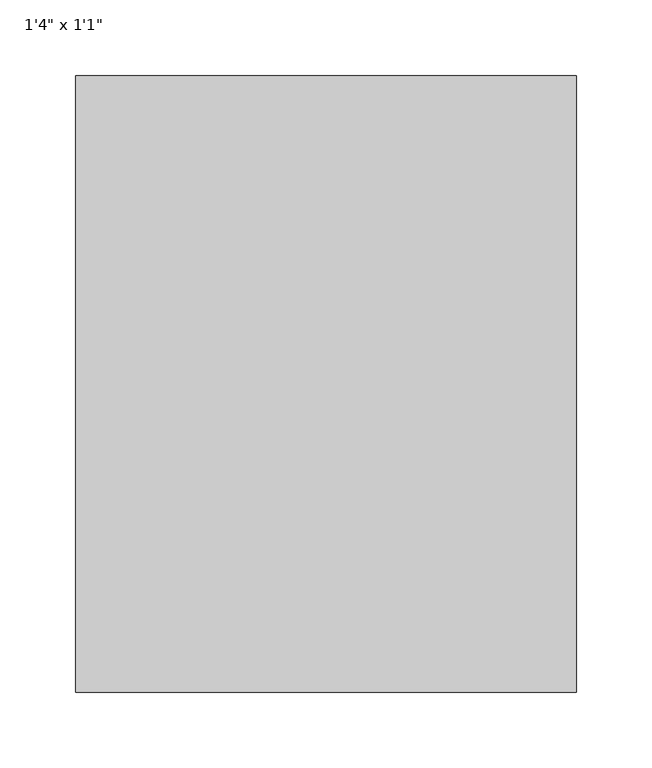
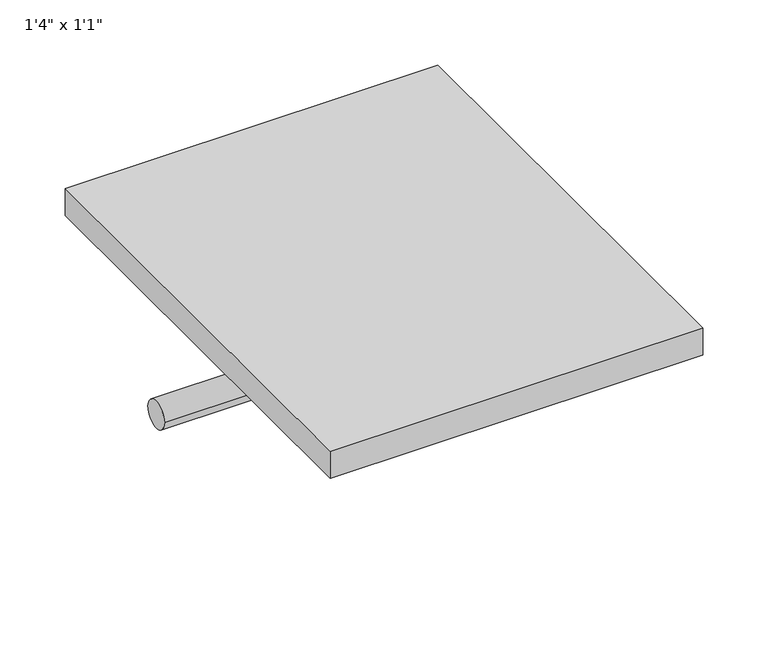
"""IFC4 building model written with IfcOpenShell, lengths in millimetres: furniture geometry."""

from ifc_helpers import new_model, si_unit, point, frame, frame_2d, origin, origin_with_axes, place, context, project, spatial, polyline, circle_curve, trimmed, segment, composite_curve, outline, extrude, source, transform, mapped, element, save


def furniture_d4d90e56(model_context):
    return source(origin(), model_context, "Body", "SweptSolid", [
        extrude(outline(composite_curve([segment(trimmed(circle_curve(frame_2d((-342.9, -101.6)), 12.7), [point((-330.2, -101.6))], [point((-355.6, -101.6))], False, "CARTESIAN"), True, "CONTINUOUS"), segment(trimmed(circle_curve(frame_2d((-342.9, -101.6)), 12.7), [point((-355.6, -101.6))], [point((-330.2, -101.6))], False, "CARTESIAN"), True, "CONTINUOUS")], self_intersect=False)), frame((-146.3622951, 0.0, 0.0), z_axis=(1.0, 0.0, 0.0), x_axis=(0.0, 1.0, 0.0)), (0.0, 0.0, 1.0), 330.2),
        extrude(outline(polyline([(183.8377049, -203.2), (183.8377049, -609.6), (-146.3622951, -609.6), (-146.3622951, -203.2), (183.8377049, -203.2)])), origin_with_axes(), (0.0, 0.0, 1.0), 25.4),
    ])


if __name__ == "__main__":
    model = new_model("IFC4")
    model_context = context("Model", 3, world=origin())
    ifc_project = project(units=[si_unit("LENGTHUNIT", "METRE", prefix="MILLI")], contexts=[model_context])
    site = spatial("IfcSite", under=ifc_project)
    building = spatial("IfcBuilding", under=site)
    placement = place(None, origin())
    furniture_shape = furniture_d4d90e56(model_context)
    element("IfcFurniture", 1, ObjectType="1'4\" x 1'1\"", at=placement, inside=building, context=model_context, shape_type="MappedRepresentation", body=[
        mapped(furniture_shape, transform((0.0, 0.0, 0.0), x_axis=(1.0, 0.0, 0.0), y_axis=(0.0, 1.0, 0.0), z_axis=(0.0, 0.0, 1.0))),
    ])
    save(model, "model.ifc")
